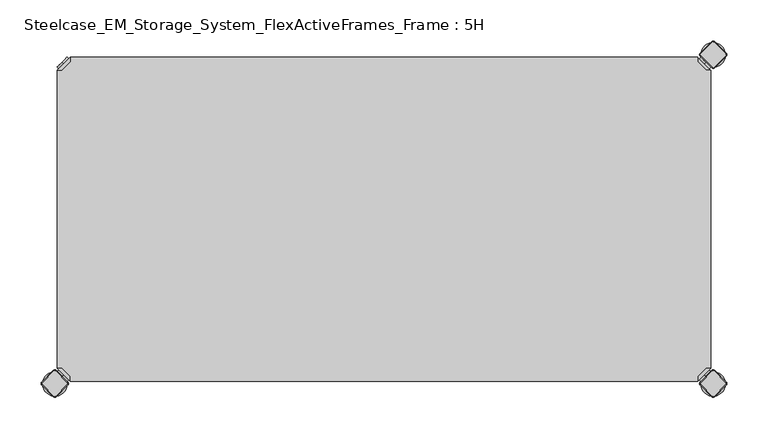
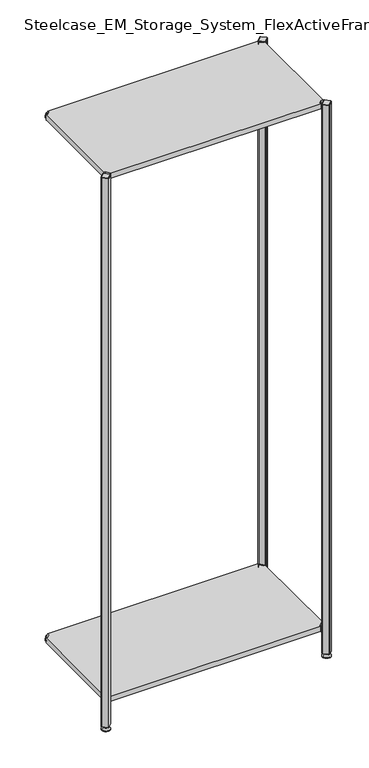
"""IFC4 building model written with IfcOpenShell, lengths in millimetres: furniture geometry, Steelcase_EM_Storage_System_FlexActiveFrames_Frame : 5H."""

from ifc_helpers import new_model, si_unit, point, frame, frame_2d, origin, place, context, project, spatial, polyline, circle_curve, trimmed, segment, composite_curve, outline, extrude, source, transform, mapped, element, save
from ifc_brep_helpers import plane_surface, cylinder_surface, revolved_surface, advanced_brep


def steelcase_em_storage_system_flexactiveframes_frame_5h_f5e73d69(model_context):
    return source(origin(), model_context, "Body", "SolidModel", [
        advanced_brep(
        [(10.9601551, -10.9601551, 2098.5), (10.9601551, -10.9601551, 2115.5), (10.9601551, -10.9601551, 2107.0), (8.8388348, -8.8388348, 2098.5), (8.8388348, -8.8388348, 2115.5), (8.8388348, -8.8388348, 2107.0)],
        [
            (0, 1, circle_curve(frame((10.9601551, -10.9601551, 2107.0), z_axis=(0.7071067811865464, -0.7071067811865487, 0.0), x_axis=(0.0, 0.0, 1.0)), 8.5)),
            (1, 2),
            (2, 0),
            (1, 0, circle_curve(frame((10.9601551, -10.9601551, 2107.0), z_axis=(0.7071067811865464, -0.7071067811865487, 0.0), x_axis=(0.0, 0.0, 1.0)), 8.5)),
            (3, 4, circle_curve(frame((8.8388348, -8.8388348, 2107.0), z_axis=(0.7071067811865464, -0.7071067811865487, 0.0), x_axis=(0.0, 0.0, 1.0)), 8.5)),
            (4, 1),
            (0, 3),
            (4, 3, circle_curve(frame((8.8388348, -8.8388348, 2107.0), z_axis=(0.7071067811865464, -0.7071067811865487, 0.0), x_axis=(0.0, 0.0, 1.0)), 8.5)),
            (5, 4),
            (3, 5),
        ],
        [
            plane_surface(frame((10.9601551, -10.9601551, 2107.0), z_axis=(0.707106781186546, -0.7071067811865491, 0.0), x_axis=(0.0, 0.0, 1.0))),
            cylinder_surface(frame((8.8388348, -8.8388348, 2107.0), z_axis=(-0.7071067811865464, 0.7071067811865487, 0.0), x_axis=(0.0, 0.0, 1.0)), 8.5),
            plane_surface(frame((8.8388348, -8.8388348, 2107.0), z_axis=(-0.707106781186546, 0.7071067811865491, 0.0), x_axis=(0.0, 0.0, 1.0))),
        ],
        [
            (0, [[1, 2, 3]]),
            (0, [[4, -3, -2]]),
            (1, [[5, 6, -1, 7]]),
            (1, [[8, -7, -4, -6]]),
            (2, [[9, -5, 10]]),
            (2, [[-10, -8, -9]]),
        ],
    ),
        advanced_brep(
        [(18.9203102, -3.0, 2117.0), (3.0, -18.9203102, 2117.0), (8.6568542, -18.9203102, 2117.0), (18.9203102, -8.6568542, 2117.0), (18.9203102, -3.0, 2098.0), (18.9203102, -3.0, 2097.0), (3.0, -18.9203102, 2097.0), (3.0, -18.9203102, 2098.0), (8.6568542, -18.9203102, 2098.0), (18.9203102, -8.6568542, 2098.0), (31.8093975, -47.7297077, 2098.0), (47.7297077, -31.8093975, 2098.0), (47.7297077, -31.8093975, 2097.0), (31.8093975, -47.7297077, 2097.0)],
        [
            (0, 1),
            (1, 2),
            (2, 3),
            (3, 0),
            (0, 4),
            (4, 5),
            (5, 6),
            (6, 7),
            (7, 1),
            (2, 8),
            (8, 9),
            (9, 3),
            (9, 4),
            (7, 8),
            (7, 10),
            (10, 11, circle_curve(frame((39.7695526, -39.7695526, 2098.0), z_axis=(0.0, 0.0, 1.0), x_axis=(1.0, 0.0, 0.0)), 11.2573593)),
            (11, 4),
            (5, 12),
            (12, 13, circle_curve(frame((39.7695526, -39.7695526, 2097.0), z_axis=(0.0, 0.0, -1.0), x_axis=(1.0, 0.0, 0.0)), 11.2573593)),
            (13, 6),
            (13, 10),
            (12, 11),
        ],
        [
            plane_surface(frame((-38.8756299, -60.7959401, 2117.0), z_axis=(0.0, 0.0, 1.0000000000000002), x_axis=(-0.7071067811865557, -0.7071067811865395, 0.0))),
            plane_surface(frame((18.9203102, -3.0, 2117.0), z_axis=(-0.7071067811865395, 0.7071067811865557, 0.0), x_axis=(0.0, 0.0, -1.0))),
            plane_surface(frame((8.6568542, -18.9203102, 2117.0), z_axis=(0.7071067811865481, -0.7071067811865469, 0.0), x_axis=(0.0, 0.0, -1.0))),
            plane_surface(frame((18.9203102, -8.6568542, 2117.0), z_axis=(1.0, 0.0, 0.0), x_axis=(0.0, 0.0, -1.0))),
            plane_surface(frame((3.0, -18.9203102, 2117.0), z_axis=(0.0, -1.0, 0.0), x_axis=(0.0, 0.0, -1.0))),
            plane_surface(frame((3.0, -18.9203102, 2098.0), z_axis=(0.0, 0.0, 1.0), x_axis=(-0.7071067811865485, -0.7071067811865466, 0.0))),
            plane_surface(frame((3.0, -18.9203102, 2097.0), z_axis=(0.0, 0.0, -1.0), x_axis=(0.7071067811865485, 0.7071067811865466, 0.0))),
            plane_surface(frame((3.0, -18.9203102, 2098.0), z_axis=(-0.7071067811865491, -0.707106781186546, 0.0), x_axis=(0.0, 0.0, -1.0))),
            cylinder_surface(frame((39.7695526, -39.7695526, 2097.0), z_axis=(0.0, 0.0, 1.0), x_axis=(1.0, 0.0, 0.0)), 11.2573593),
            plane_surface(frame((47.7297077, -31.8093975, 2098.0), z_axis=(0.707106781186548, 0.7071067811865471, 0.0), x_axis=(0.0, 0.0, -1.0))),
        ],
        [
            (0, [[1, 2, 3, 4]]),
            (1, [[-1, 5, 6, 7, 8, 9]]),
            (2, [[-3, 10, 11, 12]]),
            (3, [[-4, -12, 13, -5]]),
            (4, [[-2, -9, 14, -10]]),
            (5, [[15, 16, 17, -13, -11, -14]]),
            (6, [[18, 19, 20, -7]]),
            (7, [[-15, -8, -20, 21]]),
            (8, [[-16, -21, -19, 22]]),
            (9, [[-17, -22, -18, -6]]),
        ],
    ),
        extrude(outline(polyline([(781.0796898, -3.0), (781.0796898, -8.6568542), (791.3431458, -18.9203102), (797.0, -18.9203102), (797.0, -381.0796898), (791.3431458, -381.0796898), (781.0796898, -391.3431458), (781.0796898, -397.0), (18.9203102, -397.0), (18.9203102, -391.3431458), (8.6568542, -381.0796898), (3.0, -381.0796898), (3.0, -18.9203102), (8.6568542, -18.9203102), (18.9203102, -8.6568542), (18.9203102, -3.0), (781.0796898, -3.0)])), frame((0.0, 0.0, 2098.0), z_axis=(0.0, 0.0, 1.0), x_axis=(1.0, 0.0, 0.0)), (0.0, 0.0, 1.0), 19.0),
        advanced_brep(
        [(789.0398449, -10.9601551, 98.5), (789.0398449, -10.9601551, 107.0), (789.0398449, -10.9601551, 115.5), (791.1611652, -8.8388348, 98.5), (791.1611652, -8.8388348, 115.5), (791.1611652, -8.8388348, 107.0)],
        [
            (0, 1),
            (1, 2),
            (2, 0, circle_curve(frame((789.0398449, -10.9601551, 107.0), z_axis=(-0.7071067811865556, -0.7071067811865395, 0.0), x_axis=(0.0, 0.0, 1.0)), 8.5)),
            (0, 2, circle_curve(frame((789.0398449, -10.9601551, 107.0), z_axis=(-0.7071067811865556, -0.7071067811865395, 0.0), x_axis=(0.0, 0.0, 1.0)), 8.5)),
            (3, 0),
            (2, 4),
            (4, 3, circle_curve(frame((791.1611652, -8.8388348, 107.0), z_axis=(-0.7071067811865556, -0.7071067811865395, 0.0), x_axis=(0.0, 0.0, 1.0)), 8.5)),
            (3, 4, circle_curve(frame((791.1611652, -8.8388348, 107.0), z_axis=(-0.7071067811865556, -0.7071067811865395, 0.0), x_axis=(0.0, 0.0, 1.0)), 8.5)),
            (5, 3),
            (4, 5),
        ],
        [
            plane_surface(frame((789.0398449, -10.9601551, 107.0), z_axis=(-0.7071067811865552, -0.7071067811865399, 0.0), x_axis=(0.0, 0.0, 1.0))),
            cylinder_surface(frame((791.1611652, -8.8388348, 107.0), z_axis=(0.7071067811865556, 0.7071067811865395, 0.0), x_axis=(0.0, 0.0, 1.0)), 8.5),
            plane_surface(frame((791.1611652, -8.8388348, 107.0), z_axis=(0.7071067811865552, 0.7071067811865399, 0.0), x_axis=(0.0, 0.0, 1.0))),
        ],
        [
            (0, [[1, 2, 3]]),
            (0, [[-2, -1, 4]]),
            (1, [[5, -3, 6, 7]]),
            (1, [[-6, -4, -5, 8]]),
            (2, [[9, -7, 10]]),
            (2, [[-10, -8, -9]]),
        ],
    ),
        advanced_brep(
        [(781.0796898, -3.0, 117.0), (781.0796898, -8.6568542, 117.0), (791.3431458, -18.9203102, 117.0), (797.0, -18.9203102, 117.0), (797.0, -18.9203102, 98.0), (797.0, -18.9203102, 97.0), (781.0796898, -3.0, 97.0), (781.0796898, -3.0, 98.0), (781.0796898, -8.6568542, 98.0), (791.3431458, -18.9203102, 98.0), (752.2702923, -31.8093975, 98.0), (768.1906025, -47.7297077, 98.0), (768.1906025, -47.7297077, 97.0), (752.2702923, -31.8093975, 97.0)],
        [
            (0, 1),
            (1, 2),
            (2, 3),
            (3, 0),
            (3, 4),
            (4, 5),
            (5, 6),
            (6, 7),
            (7, 0),
            (1, 8),
            (8, 9),
            (9, 2),
            (7, 8),
            (9, 4),
            (7, 10),
            (10, 11, circle_curve(frame((760.2304474, -39.7695526, 98.0), z_axis=(0.0, 0.0, 1.0), x_axis=(-1.0, 0.0, 0.0)), 11.2573593)),
            (11, 4),
            (5, 12),
            (12, 13, circle_curve(frame((760.2304474, -39.7695526, 97.0), z_axis=(0.0, 0.0, -1.0), x_axis=(-1.0, 0.0, 0.0)), 11.2573593)),
            (13, 6),
            (11, 12),
            (10, 13),
        ],
        [
            plane_surface(frame((838.8756299, -60.7959401, 117.0), z_axis=(0.0, 0.0, 1.0000000000000002), x_axis=(0.7071067811865465, -0.7071067811865487, 0.0))),
            plane_surface(frame((781.0796898, -3.0, 117.0), z_axis=(0.7071067811865487, 0.7071067811865465, 0.0), x_axis=(0.0, 0.0, -1.0))),
            plane_surface(frame((791.3431458, -18.9203102, 117.0), z_axis=(-0.7071067811865573, -0.7071067811865377, 0.0), x_axis=(0.0, 0.0, -1.0))),
            plane_surface(frame((781.0796898, -8.6568542, 117.0), z_axis=(-1.0, 0.0, 0.0), x_axis=(0.0, 0.0, -1.0))),
            plane_surface(frame((797.0, -18.9203102, 117.0), z_axis=(0.0, -1.0, 0.0), x_axis=(0.0, 0.0, -1.0))),
            plane_surface(frame((797.0, -18.9203102, 98.0), z_axis=(0.0, 0.0, 1.0), x_axis=(0.7071067811865392, -0.7071067811865558, 0.0))),
            plane_surface(frame((797.0, -18.9203102, 97.0), z_axis=(0.0, 0.0, -1.0), x_axis=(-0.7071067811865392, 0.7071067811865558, 0.0))),
            plane_surface(frame((797.0, -18.9203102, 98.0), z_axis=(0.7071067811865399, -0.7071067811865552, 0.0), x_axis=(0.0, 0.0, -1.0))),
            cylinder_surface(frame((760.2304474, -39.7695526, 97.0), z_axis=(0.0, 0.0, 1.0), x_axis=(-1.0, 0.0, 0.0)), 11.2573593),
            plane_surface(frame((752.2702923, -31.8093975, 98.0), z_axis=(-0.7071067811865388, 0.7071067811865563, 0.0), x_axis=(0.0, 0.0, -1.0))),
        ],
        [
            (0, [[1, 2, 3, 4]]),
            (1, [[5, 6, 7, 8, 9, -4]]),
            (2, [[10, 11, 12, -2]]),
            (3, [[-9, 13, -10, -1]]),
            (4, [[-12, 14, -5, -3]]),
            (5, [[-14, -11, -13, 15, 16, 17]]),
            (6, [[-7, 18, 19, 20]]),
            (7, [[21, -18, -6, -17]]),
            (8, [[22, -19, -21, -16]]),
            (9, [[-8, -20, -22, -15]]),
        ],
    ),
        advanced_brep(
        [(789.0398449, -389.0398449, 98.5), (789.0398449, -389.0398449, 115.5), (789.0398449, -389.0398449, 107.0), (791.1611652, -391.1611652, 98.5), (791.1611652, -391.1611652, 115.5), (791.1611652, -391.1611652, 107.0)],
        [
            (0, 1, circle_curve(frame((789.0398449, -389.0398449, 107.0), z_axis=(-0.7071067811865509, 0.7071067811865441, 0.0), x_axis=(0.0, 0.0, 1.0)), 8.5)),
            (1, 2),
            (2, 0),
            (1, 0, circle_curve(frame((789.0398449, -389.0398449, 107.0), z_axis=(-0.7071067811865509, 0.7071067811865441, 0.0), x_axis=(0.0, 0.0, 1.0)), 8.5)),
            (3, 4, circle_curve(frame((791.1611652, -391.1611652, 107.0), z_axis=(-0.7071067811865509, 0.7071067811865441, 0.0), x_axis=(0.0, 0.0, 1.0)), 8.5)),
            (4, 1),
            (0, 3),
            (4, 3, circle_curve(frame((791.1611652, -391.1611652, 107.0), z_axis=(-0.7071067811865509, 0.7071067811865441, 0.0), x_axis=(0.0, 0.0, 1.0)), 8.5)),
            (5, 4),
            (3, 5),
        ],
        [
            plane_surface(frame((789.0398449, -389.0398449, 107.0), z_axis=(-0.7071067811865506, 0.7071067811865446, 0.0), x_axis=(0.0, 0.0, 1.0))),
            cylinder_surface(frame((791.1611652, -391.1611652, 107.0), z_axis=(0.7071067811865509, -0.7071067811865441, 0.0), x_axis=(0.0, 0.0, 1.0)), 8.5),
            plane_surface(frame((791.1611652, -391.1611652, 107.0), z_axis=(0.7071067811865506, -0.7071067811865446, 0.0), x_axis=(0.0, 0.0, 1.0))),
        ],
        [
            (0, [[1, 2, 3]]),
            (0, [[4, -3, -2]]),
            (1, [[5, 6, -1, 7]]),
            (1, [[8, -7, -4, -6]]),
            (2, [[9, -5, 10]]),
            (2, [[-10, -8, -9]]),
        ],
    ),
        advanced_brep(
        [(781.0796898, -397.0, 117.0), (797.0, -381.0796898, 117.0), (791.3431458, -381.0796898, 117.0), (781.0796898, -391.3431458, 117.0), (781.0796898, -397.0, 98.0), (781.0796898, -397.0, 97.0), (797.0, -381.0796898, 97.0), (797.0, -381.0796898, 98.0), (791.3431458, -381.0796898, 98.0), (781.0796898, -391.3431458, 98.0), (768.1906025, -352.2702923, 98.0), (752.2702923, -368.1906025, 98.0), (752.2702923, -368.1906025, 97.0), (768.1906025, -352.2702923, 97.0)],
        [
            (0, 1),
            (1, 2),
            (2, 3),
            (3, 0),
            (0, 4),
            (4, 5),
            (5, 6),
            (6, 7),
            (7, 1),
            (2, 8),
            (8, 9),
            (9, 3),
            (9, 4),
            (7, 8),
            (7, 10),
            (10, 11, circle_curve(frame((760.2304474, -360.2304474, 98.0), z_axis=(0.0, 0.0, 1.0), x_axis=(-1.0, 0.0, 0.0)), 11.2573593)),
            (11, 4),
            (5, 12),
            (12, 13, circle_curve(frame((760.2304474, -360.2304474, 97.0), z_axis=(0.0, 0.0, -1.0), x_axis=(-1.0, 0.0, 0.0)), 11.2573593)),
            (13, 6),
            (13, 10),
            (12, 11),
        ],
        [
            plane_surface(frame((838.8756299, -339.2040599, 117.0), z_axis=(0.0, 0.0, 1.0000000000000002), x_axis=(0.7071067811865511, 0.707106781186544, 0.0))),
            plane_surface(frame((781.0796898, -397.0, 117.0), z_axis=(0.707106781186544, -0.7071067811865511, 0.0), x_axis=(0.0, 0.0, -1.0))),
            plane_surface(frame((791.3431458, -381.0796898, 117.0), z_axis=(-0.7071067811865527, 0.7071067811865424, 0.0), x_axis=(0.0, 0.0, -1.0))),
            plane_surface(frame((781.0796898, -391.3431458, 117.0), z_axis=(-1.0, 0.0, 0.0), x_axis=(0.0, 0.0, -1.0))),
            plane_surface(frame((797.0, -381.0796898, 117.0), z_axis=(0.0, 1.0, 0.0), x_axis=(0.0, 0.0, -1.0))),
            plane_surface(frame((797.0, -381.0796898, 98.0), z_axis=(0.0, 0.0, 1.0), x_axis=(0.7071067811865439, 0.7071067811865511, 0.0))),
            plane_surface(frame((797.0, -381.0796898, 97.0), z_axis=(0.0, 0.0, -1.0), x_axis=(-0.7071067811865439, -0.7071067811865511, 0.0))),
            plane_surface(frame((797.0, -381.0796898, 98.0), z_axis=(0.7071067811865446, 0.7071067811865506, 0.0), x_axis=(0.0, 0.0, -1.0))),
            cylinder_surface(frame((760.2304474, -360.2304474, 97.0), z_axis=(0.0, 0.0, 1.0), x_axis=(-1.0, 0.0, 0.0)), 11.2573593),
            plane_surface(frame((752.2702923, -368.1906025, 98.0), z_axis=(-0.7071067811865435, -0.7071067811865517, 0.0), x_axis=(0.0, 0.0, -1.0))),
        ],
        [
            (0, [[1, 2, 3, 4]]),
            (1, [[-1, 5, 6, 7, 8, 9]]),
            (2, [[-3, 10, 11, 12]]),
            (3, [[-4, -12, 13, -5]]),
            (4, [[-2, -9, 14, -10]]),
            (5, [[15, 16, 17, -13, -11, -14]]),
            (6, [[18, 19, 20, -7]]),
            (7, [[-15, -8, -20, 21]]),
            (8, [[-16, -21, -19, 22]]),
            (9, [[-17, -22, -18, -6]]),
        ],
    ),
        advanced_brep(
        [(10.9601551, -389.0398449, 98.5), (10.9601551, -389.0398449, 107.0), (10.9601551, -389.0398449, 115.5), (8.8388348, -391.1611652, 98.5), (8.8388348, -391.1611652, 115.5), (8.8388348, -391.1611652, 107.0)],
        [
            (0, 1),
            (1, 2),
            (2, 0, circle_curve(frame((10.9601551, -389.0398449, 107.0), z_axis=(0.7071067811865509, 0.7071067811865441, 0.0), x_axis=(0.0, 0.0, 1.0)), 8.5)),
            (0, 2, circle_curve(frame((10.9601551, -389.0398449, 107.0), z_axis=(0.7071067811865509, 0.7071067811865441, 0.0), x_axis=(0.0, 0.0, 1.0)), 8.5)),
            (3, 0),
            (2, 4),
            (4, 3, circle_curve(frame((8.8388348, -391.1611652, 107.0), z_axis=(0.7071067811865509, 0.7071067811865441, 0.0), x_axis=(0.0, 0.0, 1.0)), 8.5)),
            (3, 4, circle_curve(frame((8.8388348, -391.1611652, 107.0), z_axis=(0.7071067811865509, 0.7071067811865441, 0.0), x_axis=(0.0, 0.0, 1.0)), 8.5)),
            (5, 3),
            (4, 5),
        ],
        [
            plane_surface(frame((10.9601551, -389.0398449, 107.0), z_axis=(0.7071067811865506, 0.7071067811865446, 0.0), x_axis=(0.0, 0.0, 1.0))),
            cylinder_surface(frame((8.8388348, -391.1611652, 107.0), z_axis=(-0.7071067811865509, -0.7071067811865441, 0.0), x_axis=(0.0, 0.0, 1.0)), 8.5),
            plane_surface(frame((8.8388348, -391.1611652, 107.0), z_axis=(-0.7071067811865506, -0.7071067811865446, 0.0), x_axis=(0.0, 0.0, 1.0))),
        ],
        [
            (0, [[1, 2, 3]]),
            (0, [[-2, -1, 4]]),
            (1, [[5, -3, 6, 7]]),
            (1, [[-6, -4, -5, 8]]),
            (2, [[9, -7, 10]]),
            (2, [[-10, -8, -9]]),
        ],
    ),
        advanced_brep(
        [(18.9203102, -397.0, 117.0), (18.9203102, -391.3431458, 117.0), (8.6568542, -381.0796898, 117.0), (3.0, -381.0796898, 117.0), (3.0, -381.0796898, 98.0), (3.0, -381.0796898, 97.0), (18.9203102, -397.0, 97.0), (18.9203102, -397.0, 98.0), (18.9203102, -391.3431458, 98.0), (8.6568542, -381.0796898, 98.0), (47.7297077, -368.1906025, 98.0), (31.8093975, -352.2702923, 98.0), (31.8093975, -352.2702923, 97.0), (47.7297077, -368.1906025, 97.0)],
        [
            (0, 1),
            (1, 2),
            (2, 3),
            (3, 0),
            (3, 4),
            (4, 5),
            (5, 6),
            (6, 7),
            (7, 0),
            (1, 8),
            (8, 9),
            (9, 2),
            (7, 8),
            (9, 4),
            (7, 10),
            (10, 11, circle_curve(frame((39.7695526, -360.2304474, 98.0), z_axis=(0.0, 0.0, 1.0), x_axis=(1.0, 0.0, 0.0)), 11.2573593)),
            (11, 4),
            (5, 12),
            (12, 13, circle_curve(frame((39.7695526, -360.2304474, 97.0), z_axis=(0.0, 0.0, -1.0), x_axis=(1.0, 0.0, 0.0)), 11.2573593)),
            (13, 6),
            (11, 12),
            (10, 13),
        ],
        [
            plane_surface(frame((-38.8756299, -339.2040599, 117.0), z_axis=(0.0, 0.0, 1.0000000000000002), x_axis=(-0.7071067811865511, 0.707106781186544, 0.0))),
            plane_surface(frame((18.9203102, -397.0, 117.0), z_axis=(-0.707106781186544, -0.7071067811865511, 0.0), x_axis=(0.0, 0.0, -1.0))),
            plane_surface(frame((8.6568542, -381.0796898, 117.0), z_axis=(0.7071067811865527, 0.7071067811865424, 0.0), x_axis=(0.0, 0.0, -1.0))),
            plane_surface(frame((18.9203102, -391.3431458, 117.0), z_axis=(1.0, 0.0, 0.0), x_axis=(0.0, 0.0, -1.0))),
            plane_surface(frame((3.0, -381.0796898, 117.0), z_axis=(0.0, 1.0, 0.0), x_axis=(0.0, 0.0, -1.0))),
            plane_surface(frame((3.0, -381.0796898, 98.0), z_axis=(0.0, 0.0, 1.0), x_axis=(-0.7071067811865439, 0.7071067811865511, 0.0))),
            plane_surface(frame((3.0, -381.0796898, 97.0), z_axis=(0.0, 0.0, -1.0), x_axis=(0.7071067811865439, -0.7071067811865511, 0.0))),
            plane_surface(frame((3.0, -381.0796898, 98.0), z_axis=(-0.7071067811865446, 0.7071067811865506, 0.0), x_axis=(0.0, 0.0, -1.0))),
            cylinder_surface(frame((39.7695526, -360.2304474, 97.0), z_axis=(0.0, 0.0, 1.0), x_axis=(1.0, 0.0, 0.0)), 11.2573593),
            plane_surface(frame((47.7297077, -368.1906025, 98.0), z_axis=(0.7071067811865435, -0.7071067811865517, 0.0), x_axis=(0.0, 0.0, -1.0))),
        ],
        [
            (0, [[1, 2, 3, 4]]),
            (1, [[5, 6, 7, 8, 9, -4]]),
            (2, [[10, 11, 12, -2]]),
            (3, [[-9, 13, -10, -1]]),
            (4, [[-12, 14, -5, -3]]),
            (5, [[-14, -11, -13, 15, 16, 17]]),
            (6, [[-7, 18, 19, 20]]),
            (7, [[21, -18, -6, -17]]),
            (8, [[22, -19, -21, -16]]),
            (9, [[-8, -20, -22, -15]]),
        ],
    ),
        advanced_brep(
        [(10.9601551, -10.9601551, 98.5), (10.9601551, -10.9601551, 115.5), (10.9601551, -10.9601551, 107.0), (8.8388348, -8.8388348, 98.5), (8.8388348, -8.8388348, 115.5), (8.8388348, -8.8388348, 107.0)],
        [
            (0, 1, circle_curve(frame((10.9601551, -10.9601551, 107.0), z_axis=(0.7071067811865464, -0.7071067811865487, 0.0), x_axis=(0.0, 0.0, 1.0)), 8.5)),
            (1, 2),
            (2, 0),
            (1, 0, circle_curve(frame((10.9601551, -10.9601551, 107.0), z_axis=(0.7071067811865464, -0.7071067811865487, 0.0), x_axis=(0.0, 0.0, 1.0)), 8.5)),
            (3, 4, circle_curve(frame((8.8388348, -8.8388348, 107.0), z_axis=(0.7071067811865464, -0.7071067811865487, 0.0), x_axis=(0.0, 0.0, 1.0)), 8.5)),
            (4, 1),
            (0, 3),
            (4, 3, circle_curve(frame((8.8388348, -8.8388348, 107.0), z_axis=(0.7071067811865464, -0.7071067811865487, 0.0), x_axis=(0.0, 0.0, 1.0)), 8.5)),
            (5, 4),
            (3, 5),
        ],
        [
            plane_surface(frame((10.9601551, -10.9601551, 107.0), z_axis=(0.707106781186546, -0.7071067811865491, 0.0), x_axis=(0.0, 0.0, 1.0))),
            cylinder_surface(frame((8.8388348, -8.8388348, 107.0), z_axis=(-0.7071067811865464, 0.7071067811865487, 0.0), x_axis=(0.0, 0.0, 1.0)), 8.5),
            plane_surface(frame((8.8388348, -8.8388348, 107.0), z_axis=(-0.707106781186546, 0.7071067811865491, 0.0), x_axis=(0.0, 0.0, 1.0))),
        ],
        [
            (0, [[1, 2, 3]]),
            (0, [[4, -3, -2]]),
            (1, [[5, 6, -1, 7]]),
            (1, [[8, -7, -4, -6]]),
            (2, [[9, -5, 10]]),
            (2, [[-10, -8, -9]]),
        ],
    ),
        advanced_brep(
        [(18.9203102, -3.0, 117.0), (3.0, -18.9203102, 117.0), (8.6568542, -18.9203102, 117.0), (18.9203102, -8.6568542, 117.0), (18.9203102, -3.0, 98.0), (18.9203102, -3.0, 97.0), (3.0, -18.9203102, 97.0), (3.0, -18.9203102, 98.0), (8.6568542, -18.9203102, 98.0), (18.9203102, -8.6568542, 98.0), (31.8093975, -47.7297077, 98.0), (47.7297077, -31.8093975, 98.0), (47.7297077, -31.8093975, 97.0), (31.8093975, -47.7297077, 97.0)],
        [
            (0, 1),
            (1, 2),
            (2, 3),
            (3, 0),
            (0, 4),
            (4, 5),
            (5, 6),
            (6, 7),
            (7, 1),
            (2, 8),
            (8, 9),
            (9, 3),
            (9, 4),
            (7, 8),
            (7, 10),
            (10, 11, circle_curve(frame((39.7695526, -39.7695526, 98.0), z_axis=(0.0, 0.0, 1.0), x_axis=(1.0, 0.0, 0.0)), 11.2573593)),
            (11, 4),
            (5, 12),
            (12, 13, circle_curve(frame((39.7695526, -39.7695526, 97.0), z_axis=(0.0, 0.0, -1.0), x_axis=(1.0, 0.0, 0.0)), 11.2573593)),
            (13, 6),
            (13, 10),
            (12, 11),
        ],
        [
            plane_surface(frame((-38.8756299, -60.7959401, 117.0), z_axis=(0.0, 0.0, 1.0000000000000002), x_axis=(-0.7071067811865557, -0.7071067811865395, 0.0))),
            plane_surface(frame((18.9203102, -3.0, 117.0), z_axis=(-0.7071067811865395, 0.7071067811865557, 0.0), x_axis=(0.0, 0.0, -1.0))),
            plane_surface(frame((8.6568542, -18.9203102, 117.0), z_axis=(0.7071067811865481, -0.7071067811865469, 0.0), x_axis=(0.0, 0.0, -1.0))),
            plane_surface(frame((18.9203102, -8.6568542, 117.0), z_axis=(1.0, 0.0, 0.0), x_axis=(0.0, 0.0, -1.0))),
            plane_surface(frame((3.0, -18.9203102, 117.0), z_axis=(0.0, -1.0, 0.0), x_axis=(0.0, 0.0, -1.0))),
            plane_surface(frame((3.0, -18.9203102, 98.0), z_axis=(0.0, 0.0, 1.0), x_axis=(-0.7071067811865485, -0.7071067811865466, 0.0))),
            plane_surface(frame((3.0, -18.9203102, 97.0), z_axis=(0.0, 0.0, -1.0), x_axis=(0.7071067811865485, 0.7071067811865466, 0.0))),
            plane_surface(frame((3.0, -18.9203102, 98.0), z_axis=(-0.7071067811865491, -0.707106781186546, 0.0), x_axis=(0.0, 0.0, -1.0))),
            cylinder_surface(frame((39.7695526, -39.7695526, 97.0), z_axis=(0.0, 0.0, 1.0), x_axis=(1.0, 0.0, 0.0)), 11.2573593),
            plane_surface(frame((47.7297077, -31.8093975, 98.0), z_axis=(0.707106781186548, 0.7071067811865471, 0.0), x_axis=(0.0, 0.0, -1.0))),
        ],
        [
            (0, [[1, 2, 3, 4]]),
            (1, [[-1, 5, 6, 7, 8, 9]]),
            (2, [[-3, 10, 11, 12]]),
            (3, [[-4, -12, 13, -5]]),
            (4, [[-2, -9, 14, -10]]),
            (5, [[15, 16, 17, -13, -11, -14]]),
            (6, [[18, 19, 20, -7]]),
            (7, [[-15, -8, -20, 21]]),
            (8, [[-16, -21, -19, 22]]),
            (9, [[-17, -22, -18, -6]]),
        ],
    ),
        extrude(outline(polyline([(781.0796898, -3.0), (781.0796898, -8.6568542), (791.3431458, -18.9203102), (797.0, -18.9203102), (797.0, -381.0796898), (791.3431458, -381.0796898), (781.0796898, -391.3431458), (781.0796898, -397.0), (18.9203102, -397.0), (18.9203102, -391.3431458), (8.6568542, -381.0796898), (3.0, -381.0796898), (3.0, -18.9203102), (8.6568542, -18.9203102), (18.9203102, -8.6568542), (18.9203102, -3.0), (781.0796898, -3.0)])), frame((0.0, 0.0, 98.0), z_axis=(0.0, 0.0, 1.0), x_axis=(1.0, 0.0, 0.0)), (0.0, 0.0, 1.0), 19.0),
        advanced_brep(
        [(785.0, -400.0, 0.0), (815.0, -400.0, 0.0), (800.0, -400.0, 0.0), (785.0, -400.0, 2.0), (815.0, -400.0, 2.0), (792.0, -400.0, 9.0), (808.0, -400.0, 9.0), (796.0, -400.0, 9.0), (804.0, -400.0, 9.0), (796.0, -400.0, 15.0), (804.0, -400.0, 15.0), (800.0, -400.0, 15.0)],
        [
            (0, 1, circle_curve(frame((800.0, -400.0, 0.0), z_axis=(0.0, 0.0, -1.0), x_axis=(1.0, 0.0, 0.0)), 15.0)),
            (1, 2),
            (2, 0),
            (1, 0, circle_curve(frame((800.0, -400.0, 0.0), z_axis=(0.0, 0.0, -1.0), x_axis=(1.0, 0.0, 0.0)), 15.0)),
            (3, 4, circle_curve(frame((800.0, -400.0, 2.0), z_axis=(0.0, 0.0, -1.0), x_axis=(1.0, 0.0, 0.0)), 15.0)),
            (4, 1),
            (0, 3),
            (4, 3, circle_curve(frame((800.0, -400.0, 2.0), z_axis=(0.0, 0.0, -1.0), x_axis=(1.0, 0.0, 0.0)), 15.0)),
            (5, 6, circle_curve(frame((800.0, -400.0, 9.0), z_axis=(0.0, 0.0, -1.0), x_axis=(1.0, 0.0, 0.0)), 8.0)),
            (6, 4),
            (3, 5),
            (6, 5, circle_curve(frame((800.0, -400.0, 9.0), z_axis=(0.0, 0.0, -1.0), x_axis=(1.0, 0.0, 0.0)), 8.0)),
            (7, 8, circle_curve(frame((800.0, -400.0, 9.0), z_axis=(0.0, 0.0, -1.0), x_axis=(1.0, 0.0, 0.0)), 4.0)),
            (8, 6),
            (5, 7),
            (8, 7, circle_curve(frame((800.0, -400.0, 9.0), z_axis=(0.0, 0.0, -1.0), x_axis=(1.0, 0.0, 0.0)), 4.0)),
            (9, 10, circle_curve(frame((800.0, -400.0, 15.0), z_axis=(0.0, 0.0, -1.0), x_axis=(1.0, 0.0, 0.0)), 4.0)),
            (10, 8),
            (7, 9),
            (10, 9, circle_curve(frame((800.0, -400.0, 15.0), z_axis=(0.0, 0.0, -1.0), x_axis=(1.0, 0.0, 0.0)), 4.0)),
            (11, 10),
            (9, 11),
        ],
        [
            plane_surface(frame((800.0, -400.0, 0.0), z_axis=(0.0, 0.0, -1.0), x_axis=(1.0, 0.0, 0.0))),
            cylinder_surface(frame((800.0, -400.0, 18.6083303), z_axis=(0.0, 0.0, 1.0), x_axis=(1.0, 0.0, 0.0)), 15.0),
            revolved_surface(polyline([(815.0, -400.0, 2.0), (808.0, -400.0, 9.0)]), (800.0, -400.0, 18.6083303), (0.0, 0.0, 1.0)),
            plane_surface(frame((800.0, -400.0, 9.0), z_axis=(0.0, 0.0, 1.0), x_axis=(1.0, 0.0, 0.0))),
            cylinder_surface(frame((800.0, -400.0, 18.6083303), z_axis=(0.0, 0.0, 1.0), x_axis=(1.0, 0.0, 0.0)), 4.0),
            plane_surface(frame((800.0, -400.0, 15.0), z_axis=(0.0, 0.0, 1.0), x_axis=(1.0, 0.0, 0.0))),
        ],
        [
            (0, [[1, 2, 3]]),
            (0, [[4, -3, -2]]),
            (1, [[5, 6, -1, 7]]),
            (1, [[8, -7, -4, -6]]),
            (2, [[9, 10, -5, 11]]),
            (2, [[12, -11, -8, -10]]),
            (3, [[13, 14, -9, 15]]),
            (3, [[16, -15, -12, -14]]),
            (4, [[17, 18, -13, 19]]),
            (4, [[20, -19, -16, -18]]),
            (5, [[21, -17, 22]]),
            (5, [[-22, -20, -21]]),
        ],
    ),
        advanced_brep(
        [(798.7979185, -384.6557828, 2117.0), (784.6557828, -398.7979185, 2117.0), (784.6557828, -401.2020815, 2117.0), (798.7979185, -415.3442172, 2117.0), (801.2020815, -415.3442172, 2117.0), (815.3442172, -401.2020815, 2117.0), (815.3442172, -398.7979185, 2117.0), (801.2020815, -384.6557828, 2117.0), (798.232233, -384.0900974, 2115.0), (801.767767, -384.0900974, 2115.0), (815.9099026, -398.232233, 2115.0), (815.9099026, -401.767767, 2115.0), (801.767767, -415.9099026, 2115.0), (798.232233, -415.9099026, 2115.0), (784.0900974, -401.767767, 2115.0), (784.0900974, -398.232233, 2115.0)],
        [
            (0, 1),
            (1, 2, circle_curve(frame((785.8578644, -400.0, 2117.0), z_axis=(0.0, 0.0, 1.0), x_axis=(-0.7071067811865537, 0.7071067811865414, 0.0)), 1.7)),
            (2, 3),
            (3, 4, circle_curve(frame((800.0, -414.1421356, 2117.0), z_axis=(0.0, 0.0, 1.0), x_axis=(-0.7071067811865491, -0.707106781186546, 0.0)), 1.7)),
            (4, 5),
            (5, 6, circle_curve(frame((814.1421356, -400.0, 2117.0), z_axis=(0.0, 0.0, 1.0), x_axis=(0.707106781186539, -0.7071067811865559, 0.0)), 1.7)),
            (6, 7),
            (7, 0, circle_curve(frame((800.0, -385.8578644, 2117.0), z_axis=(0.0, 0.0, 1.0), x_axis=(0.7071067811865458, 0.7071067811865492, 0.0)), 1.7)),
            (8, 9, circle_curve(frame((800.0, -385.8578644, 2115.0), z_axis=(0.0, 0.0, -1.0), x_axis=(0.7071067811865458, 0.7071067811865492, 0.0)), 2.5)),
            (9, 10),
            (10, 11, circle_curve(frame((814.1421356, -400.0, 2115.0), z_axis=(0.0, 0.0, -1.0), x_axis=(0.707106781186539, -0.7071067811865559, 0.0)), 2.5)),
            (11, 12),
            (12, 13, circle_curve(frame((800.0, -414.1421356, 2115.0), z_axis=(0.0, 0.0, -1.0), x_axis=(-0.7071067811865491, -0.707106781186546, 0.0)), 2.5)),
            (13, 14),
            (14, 15, circle_curve(frame((785.8578644, -400.0, 2115.0), z_axis=(0.0, 0.0, -1.0), x_axis=(-0.7071067811865537, 0.7071067811865414, 0.0)), 2.5)),
            (15, 8),
            (15, 1),
            (0, 8),
            (14, 2),
            (13, 3),
            (12, 4),
            (11, 5),
            (10, 6),
            (9, 7),
        ],
        [
            plane_surface(frame((800.0, -400.0, 2117.0), z_axis=(0.0, 0.0, 1.0), x_axis=(-0.7071067811865486, 0.7071067811865466, 0.0))),
            plane_surface(frame((800.0, -400.0, 2115.0), z_axis=(0.0, 0.0, -1.0), x_axis=(-0.7071067811865486, 0.7071067811865466, 0.0))),
            plane_surface(frame((791.1611652, -391.1611652, 2115.0), z_axis=(-0.6565321642986406, 0.656532164298628, 0.3713906763540281), x_axis=(-0.7071067811865408, -0.7071067811865543, 0.0))),
            revolved_surface(polyline([(784.65578284, -398.79791844, 2117.0), (784.0900974, -398.232233, 2115.0)]), (785.8578644, -400.0, 2121.25), (0.0, 0.0, -1.0)),
            plane_surface(frame((791.1611652, -408.8388348, 2115.0), z_axis=(-0.6565321642986325, -0.6565321642986414, 0.3713906763540188), x_axis=(0.7071067811865523, -0.7071067811865428, 0.0))),
            revolved_surface(polyline([(798.79791844, -415.34421716, 2117.0), (798.232233, -415.9099026, 2115.0)]), (800.0, -414.1421356, 2121.25), (0.0, 0.0, -1.0)),
            plane_surface(frame((808.8388348, -408.8388348, 2115.0), z_axis=(0.6565321642986457, -0.6565321642986508, 0.3713906763539787), x_axis=(0.7071067811865541, 0.707106781186541, 0.0))),
            revolved_surface(polyline([(815.34421716, -401.20208156, 2117.0), (815.9099026, -401.767767, 2115.0)]), (814.1421356, -400.0, 2121.25), (0.0, 0.0, -1.0)),
            plane_surface(frame((808.8388348, -391.1611652, 2115.0), z_axis=(0.656532164298657, 0.6565321642986371, 0.37139067635398293), x_axis=(-0.7071067811865407, 0.7071067811865545, 0.0))),
            revolved_surface(polyline([(801.20208156, -384.65578284, 2117.0), (801.767767, -384.0900974, 2115.0)]), (800.0, -385.8578644, 2121.25), (0.0, 0.0, -1.0)),
        ],
        [
            (0, [[1, 2, 3, 4, 5, 6, 7, 8]]),
            (1, [[9, 10, 11, 12, 13, 14, 15, 16]]),
            (2, [[-16, 17, -1, 18]]),
            (3, [[-15, 19, -2, -17]]),
            (4, [[-14, 20, -3, -19]]),
            (5, [[-13, 21, -4, -20]]),
            (6, [[-12, 22, -5, -21]]),
            (7, [[-11, 23, -6, -22]]),
            (8, [[-10, 24, -7, -23]]),
            (9, [[-9, -18, -8, -24]]),
        ],
    ),
        extrude(outline(composite_curve([segment(trimmed(circle_curve(frame_2d((814.1421356, -400.0)), 2.5), [point((815.9099026, -398.232233))], [point((815.9099026, -401.767767))], False, "CARTESIAN"), True, "CONTINUOUS"), segment(polyline([(815.9099026, -401.767767), (801.767767, -415.9099026)]), True, "CONTINUOUS"), segment(trimmed(circle_curve(frame_2d((800.0, -414.1421356)), 2.5), [point((801.767767, -415.9099026))], [point((798.232233, -415.9099026))], False, "CARTESIAN"), True, "CONTINUOUS"), segment(polyline([(798.232233, -415.9099026), (784.0900974, -401.767767)]), True, "CONTINUOUS"), segment(trimmed(circle_curve(frame_2d((785.8578644, -400.0)), 2.5), [point((784.0900974, -401.767767))], [point((784.0900974, -398.232233))], False, "CARTESIAN"), True, "CONTINUOUS"), segment(polyline([(784.0900974, -398.232233), (798.232233, -384.0900974)]), True, "CONTINUOUS"), segment(trimmed(circle_curve(frame_2d((800.0, -385.8578644)), 2.5), [point((798.232233, -384.0900974))], [point((801.767767, -384.0900974))], False, "CARTESIAN"), True, "CONTINUOUS"), segment(polyline([(801.767767, -384.0900974), (815.9099026, -398.232233)]), True, "CONTINUOUS")], self_intersect=False)), frame((0.0, 0.0, 15.0), z_axis=(0.0, 0.0, 1.0), x_axis=(1.0, 0.0, 0.0)), (0.0, 0.0, 1.0), 2100.0),
        advanced_brep(
        [(785.0, 0.0, 0.0), (815.0, 0.0, 0.0), (800.0, 0.0, 0.0), (785.0, 0.0, 2.0), (815.0, 0.0, 2.0), (792.0, 0.0, 9.0), (808.0, 0.0, 9.0), (796.0, 0.0, 9.0), (804.0, 0.0, 9.0), (796.0, 0.0, 15.0), (804.0, 0.0, 15.0), (800.0, 0.0, 15.0)],
        [
            (0, 1, circle_curve(frame((800.0, 0.0, 0.0), z_axis=(0.0, 0.0, -1.0), x_axis=(1.0, 0.0, 0.0)), 15.0)),
            (1, 2),
            (2, 0),
            (1, 0, circle_curve(frame((800.0, 0.0, 0.0), z_axis=(0.0, 0.0, -1.0), x_axis=(1.0, 0.0, 0.0)), 15.0)),
            (3, 4, circle_curve(frame((800.0, 0.0, 2.0), z_axis=(0.0, 0.0, -1.0), x_axis=(1.0, 0.0, 0.0)), 15.0)),
            (4, 1),
            (0, 3),
            (4, 3, circle_curve(frame((800.0, 0.0, 2.0), z_axis=(0.0, 0.0, -1.0), x_axis=(1.0, 0.0, 0.0)), 15.0)),
            (5, 6, circle_curve(frame((800.0, 0.0, 9.0), z_axis=(0.0, 0.0, -1.0), x_axis=(1.0, 0.0, 0.0)), 8.0)),
            (6, 4),
            (3, 5),
            (6, 5, circle_curve(frame((800.0, 0.0, 9.0), z_axis=(0.0, 0.0, -1.0), x_axis=(1.0, 0.0, 0.0)), 8.0)),
            (7, 8, circle_curve(frame((800.0, 0.0, 9.0), z_axis=(0.0, 0.0, -1.0), x_axis=(1.0, 0.0, 0.0)), 4.0)),
            (8, 6),
            (5, 7),
            (8, 7, circle_curve(frame((800.0, 0.0, 9.0), z_axis=(0.0, 0.0, -1.0), x_axis=(1.0, 0.0, 0.0)), 4.0)),
            (9, 10, circle_curve(frame((800.0, 0.0, 15.0), z_axis=(0.0, 0.0, -1.0), x_axis=(1.0, 0.0, 0.0)), 4.0)),
            (10, 8),
            (7, 9),
            (10, 9, circle_curve(frame((800.0, 0.0, 15.0), z_axis=(0.0, 0.0, -1.0), x_axis=(1.0, 0.0, 0.0)), 4.0)),
            (11, 10),
            (9, 11),
        ],
        [
            plane_surface(frame((800.0, 0.0, 0.0), z_axis=(0.0, 0.0, -1.0), x_axis=(1.0, 0.0, 0.0))),
            cylinder_surface(frame((800.0, 0.0, 18.6083303), z_axis=(0.0, 0.0, 1.0), x_axis=(1.0, 0.0, 0.0)), 15.0),
            revolved_surface(polyline([(815.0, 0.0, 2.0), (808.0, 0.0, 9.0)]), (800.0, 0.0, 18.6083303), (0.0, 0.0, 1.0)),
            plane_surface(frame((800.0, 0.0, 9.0), z_axis=(0.0, 0.0, 1.0), x_axis=(1.0, 0.0, 0.0))),
            cylinder_surface(frame((800.0, 0.0, 18.6083303), z_axis=(0.0, 0.0, 1.0), x_axis=(1.0, 0.0, 0.0)), 4.0),
            plane_surface(frame((800.0, 0.0, 15.0), z_axis=(0.0, 0.0, 1.0), x_axis=(1.0, 0.0, 0.0))),
        ],
        [
            (0, [[1, 2, 3]]),
            (0, [[4, -3, -2]]),
            (1, [[5, 6, -1, 7]]),
            (1, [[8, -7, -4, -6]]),
            (2, [[9, 10, -5, 11]]),
            (2, [[12, -11, -8, -10]]),
            (3, [[13, 14, -9, 15]]),
            (3, [[16, -15, -12, -14]]),
            (4, [[17, 18, -13, 19]]),
            (4, [[20, -19, -16, -18]]),
            (5, [[21, -17, 22]]),
            (5, [[-22, -20, -21]]),
        ],
    ),
        advanced_brep(
        [(798.7979185, 15.3442172, 2117.0), (784.6557828, 1.2020815, 2117.0), (784.6557828, -1.2020815, 2117.0), (798.7979185, -15.3442172, 2117.0), (801.2020815, -15.3442172, 2117.0), (815.3442172, -1.2020815, 2117.0), (815.3442172, 1.2020815, 2117.0), (801.2020815, 15.3442172, 2117.0), (798.232233, 15.9099026, 2115.0), (801.767767, 15.9099026, 2115.0), (815.9099026, 1.767767, 2115.0), (815.9099026, -1.767767, 2115.0), (801.767767, -15.9099026, 2115.0), (798.232233, -15.9099026, 2115.0), (784.0900974, -1.767767, 2115.0), (784.0900974, 1.767767, 2115.0)],
        [
            (0, 1),
            (1, 2, circle_curve(frame((785.8578644, 0.0, 2117.0), z_axis=(0.0, 0.0, 1.0), x_axis=(-0.7071067811865537, 0.7071067811865414, 0.0)), 1.7)),
            (2, 3),
            (3, 4, circle_curve(frame((800.0, -14.1421356, 2117.0), z_axis=(0.0, 0.0, 1.0), x_axis=(-0.7071067811865491, -0.707106781186546, 0.0)), 1.7)),
            (4, 5),
            (5, 6, circle_curve(frame((814.1421356, 0.0, 2117.0), z_axis=(0.0, 0.0, 1.0), x_axis=(0.707106781186539, -0.7071067811865559, 0.0)), 1.7)),
            (6, 7),
            (7, 0, circle_curve(frame((800.0, 14.1421356, 2117.0), z_axis=(0.0, 0.0, 1.0), x_axis=(0.7071067811865458, 0.7071067811865492, 0.0)), 1.7)),
            (8, 9, circle_curve(frame((800.0, 14.1421356, 2115.0), z_axis=(0.0, 0.0, -1.0), x_axis=(0.7071067811865458, 0.7071067811865492, 0.0)), 2.5)),
            (9, 10),
            (10, 11, circle_curve(frame((814.1421356, 0.0, 2115.0), z_axis=(0.0, 0.0, -1.0), x_axis=(0.707106781186539, -0.7071067811865559, 0.0)), 2.5)),
            (11, 12),
            (12, 13, circle_curve(frame((800.0, -14.1421356, 2115.0), z_axis=(0.0, 0.0, -1.0), x_axis=(-0.7071067811865491, -0.707106781186546, 0.0)), 2.5)),
            (13, 14),
            (14, 15, circle_curve(frame((785.8578644, 0.0, 2115.0), z_axis=(0.0, 0.0, -1.0), x_axis=(-0.7071067811865537, 0.7071067811865414, 0.0)), 2.5)),
            (15, 8),
            (15, 1),
            (0, 8),
            (14, 2),
            (13, 3),
            (12, 4),
            (11, 5),
            (10, 6),
            (9, 7),
        ],
        [
            plane_surface(frame((800.0, 0.0, 2117.0), z_axis=(0.0, 0.0, 1.0), x_axis=(-0.7071067811865486, 0.7071067811865466, 0.0))),
            plane_surface(frame((800.0, 0.0, 2115.0), z_axis=(0.0, 0.0, -1.0), x_axis=(-0.7071067811865486, 0.7071067811865466, 0.0))),
            plane_surface(frame((791.1611652, 8.8388348, 2115.0), z_axis=(-0.6565321642986406, 0.656532164298628, 0.3713906763540281), x_axis=(-0.7071067811865408, -0.7071067811865543, 0.0))),
            revolved_surface(polyline([(784.65578284, 1.20208156, 2117.0), (784.0900974, 1.767767, 2115.0)]), (785.8578644, 0.0, 2121.25), (0.0, 0.0, -1.0)),
            plane_surface(frame((791.1611652, -8.8388348, 2115.0), z_axis=(-0.6565321642986325, -0.6565321642986414, 0.3713906763540188), x_axis=(0.7071067811865523, -0.7071067811865428, 0.0))),
            revolved_surface(polyline([(798.79791844, -15.34421716, 2117.0), (798.232233, -15.9099026, 2115.0)]), (800.0, -14.1421356, 2121.25), (0.0, 0.0, -1.0)),
            plane_surface(frame((808.8388348, -8.8388348, 2115.0), z_axis=(0.6565321642986457, -0.6565321642986508, 0.3713906763539787), x_axis=(0.7071067811865541, 0.707106781186541, 0.0))),
            revolved_surface(polyline([(815.34421716, -1.20208156, 2117.0), (815.9099026, -1.767767, 2115.0)]), (814.1421356, 0.0, 2121.25), (0.0, 0.0, -1.0)),
            plane_surface(frame((808.8388348, 8.8388348, 2115.0), z_axis=(0.656532164298657, 0.6565321642986371, 0.37139067635398293), x_axis=(-0.7071067811865407, 0.7071067811865545, 0.0))),
            revolved_surface(polyline([(801.20208156, 15.34421716, 2117.0), (801.767767, 15.9099026, 2115.0)]), (800.0, 14.1421356, 2121.25), (0.0, 0.0, -1.0)),
        ],
        [
            (0, [[1, 2, 3, 4, 5, 6, 7, 8]]),
            (1, [[9, 10, 11, 12, 13, 14, 15, 16]]),
            (2, [[-16, 17, -1, 18]]),
            (3, [[-15, 19, -2, -17]]),
            (4, [[-14, 20, -3, -19]]),
            (5, [[-13, 21, -4, -20]]),
            (6, [[-12, 22, -5, -21]]),
            (7, [[-11, 23, -6, -22]]),
            (8, [[-10, 24, -7, -23]]),
            (9, [[-9, -18, -8, -24]]),
        ],
    ),
        extrude(outline(composite_curve([segment(trimmed(circle_curve(frame_2d((814.1421356, 0.0)), 2.5), [point((815.9099026, 1.767767))], [point((815.9099026, -1.767767))], False, "CARTESIAN"), True, "CONTINUOUS"), segment(polyline([(815.9099026, -1.767767), (801.767767, -15.9099026)]), True, "CONTINUOUS"), segment(trimmed(circle_curve(frame_2d((800.0, -14.1421356)), 2.5), [point((801.767767, -15.9099026))], [point((798.232233, -15.9099026))], False, "CARTESIAN"), True, "CONTINUOUS"), segment(polyline([(798.232233, -15.9099026), (784.0900974, -1.767767)]), True, "CONTINUOUS"), segment(trimmed(circle_curve(frame_2d((785.8578644, 0.0)), 2.5), [point((784.0900974, -1.767767))], [point((784.0900974, 1.767767))], False, "CARTESIAN"), True, "CONTINUOUS"), segment(polyline([(784.0900974, 1.767767), (798.232233, 15.9099026)]), True, "CONTINUOUS"), segment(trimmed(circle_curve(frame_2d((800.0, 14.1421356)), 2.5), [point((798.232233, 15.9099026))], [point((801.767767, 15.9099026))], False, "CARTESIAN"), True, "CONTINUOUS"), segment(polyline([(801.767767, 15.9099026), (815.9099026, 1.767767)]), True, "CONTINUOUS")], self_intersect=False)), frame((0.0, 0.0, 15.0), z_axis=(0.0, 0.0, 1.0), x_axis=(1.0, 0.0, 0.0)), (0.0, 0.0, 1.0), 2100.0),
        advanced_brep(
        [(-15.0, -400.0, 0.0), (15.0, -400.0, 0.0), (0.0, -400.0, 0.0), (-15.0, -400.0, 2.0), (15.0, -400.0, 2.0), (-8.0, -400.0, 9.0), (8.0, -400.0, 9.0), (-4.0, -400.0, 9.0), (4.0, -400.0, 9.0), (-4.0, -400.0, 15.0), (4.0, -400.0, 15.0), (0.0, -400.0, 15.0)],
        [
            (0, 1, circle_curve(frame((0.0, -400.0, 0.0), z_axis=(0.0, 0.0, -1.0), x_axis=(1.0, 0.0, 0.0)), 15.0)),
            (1, 2),
            (2, 0),
            (1, 0, circle_curve(frame((0.0, -400.0, 0.0), z_axis=(0.0, 0.0, -1.0), x_axis=(1.0, 0.0, 0.0)), 15.0)),
            (3, 4, circle_curve(frame((0.0, -400.0, 2.0), z_axis=(0.0, 0.0, -1.0), x_axis=(1.0, 0.0, 0.0)), 15.0)),
            (4, 1),
            (0, 3),
            (4, 3, circle_curve(frame((0.0, -400.0, 2.0), z_axis=(0.0, 0.0, -1.0), x_axis=(1.0, 0.0, 0.0)), 15.0)),
            (5, 6, circle_curve(frame((0.0, -400.0, 9.0), z_axis=(0.0, 0.0, -1.0), x_axis=(1.0, 0.0, 0.0)), 8.0)),
            (6, 4),
            (3, 5),
            (6, 5, circle_curve(frame((0.0, -400.0, 9.0), z_axis=(0.0, 0.0, -1.0), x_axis=(1.0, 0.0, 0.0)), 8.0)),
            (7, 8, circle_curve(frame((0.0, -400.0, 9.0), z_axis=(0.0, 0.0, -1.0), x_axis=(1.0, 0.0, 0.0)), 4.0)),
            (8, 6),
            (5, 7),
            (8, 7, circle_curve(frame((0.0, -400.0, 9.0), z_axis=(0.0, 0.0, -1.0), x_axis=(1.0, 0.0, 0.0)), 4.0)),
            (9, 10, circle_curve(frame((0.0, -400.0, 15.0), z_axis=(0.0, 0.0, -1.0), x_axis=(1.0, 0.0, 0.0)), 4.0)),
            (10, 8),
            (7, 9),
            (10, 9, circle_curve(frame((0.0, -400.0, 15.0), z_axis=(0.0, 0.0, -1.0), x_axis=(1.0, 0.0, 0.0)), 4.0)),
            (11, 10),
            (9, 11),
        ],
        [
            plane_surface(frame((0.0, -400.0, 0.0), z_axis=(0.0, 0.0, -1.0), x_axis=(1.0, 0.0, 0.0))),
            cylinder_surface(frame((0.0, -400.0, 18.6083303), z_axis=(0.0, 0.0, 1.0), x_axis=(1.0, 0.0, 0.0)), 15.0),
            revolved_surface(polyline([(15.0, -400.0, 2.0), (8.0, -400.0, 9.0)]), (0.0, -400.0, 18.6083303), (0.0, 0.0, 1.0)),
            plane_surface(frame((0.0, -400.0, 9.0), z_axis=(0.0, 0.0, 1.0), x_axis=(1.0, 0.0, 0.0))),
            cylinder_surface(frame((0.0, -400.0, 18.6083303), z_axis=(0.0, 0.0, 1.0), x_axis=(1.0, 0.0, 0.0)), 4.0),
            plane_surface(frame((0.0, -400.0, 15.0), z_axis=(0.0, 0.0, 1.0), x_axis=(1.0, 0.0, 0.0))),
        ],
        [
            (0, [[1, 2, 3]]),
            (0, [[4, -3, -2]]),
            (1, [[5, 6, -1, 7]]),
            (1, [[8, -7, -4, -6]]),
            (2, [[9, 10, -5, 11]]),
            (2, [[12, -11, -8, -10]]),
            (3, [[13, 14, -9, 15]]),
            (3, [[16, -15, -12, -14]]),
            (4, [[17, 18, -13, 19]]),
            (4, [[20, -19, -16, -18]]),
            (5, [[21, -17, 22]]),
            (5, [[-22, -20, -21]]),
        ],
    ),
        advanced_brep(
        [(-1.2020815, -384.6557828, 2117.0), (-15.3442172, -398.7979185, 2117.0), (-15.3442172, -401.2020815, 2117.0), (-1.2020815, -415.3442172, 2117.0), (1.2020815, -415.3442172, 2117.0), (15.3442172, -401.2020815, 2117.0), (15.3442172, -398.7979185, 2117.0), (1.2020815, -384.6557828, 2117.0), (-1.767767, -384.0900974, 2115.0), (1.767767, -384.0900974, 2115.0), (15.9099026, -398.232233, 2115.0), (15.9099026, -401.767767, 2115.0), (1.767767, -415.9099026, 2115.0), (-1.767767, -415.9099026, 2115.0), (-15.9099026, -401.767767, 2115.0), (-15.9099026, -398.232233, 2115.0)],
        [
            (0, 1),
            (1, 2, circle_curve(frame((-14.1421356, -400.0, 2117.0), z_axis=(0.0, 0.0, 1.0), x_axis=(-0.7071067811865537, 0.7071067811865414, 0.0)), 1.7)),
            (2, 3),
            (3, 4, circle_curve(frame((0.0, -414.1421356, 2117.0), z_axis=(0.0, 0.0, 1.0), x_axis=(-0.7071067811865491, -0.707106781186546, 0.0)), 1.7)),
            (4, 5),
            (5, 6, circle_curve(frame((14.1421356, -400.0, 2117.0), z_axis=(0.0, 0.0, 1.0), x_axis=(0.707106781186539, -0.7071067811865559, 0.0)), 1.7)),
            (6, 7),
            (7, 0, circle_curve(frame((0.0, -385.8578644, 2117.0), z_axis=(0.0, 0.0, 1.0), x_axis=(0.7071067811865458, 0.7071067811865492, 0.0)), 1.7)),
            (8, 9, circle_curve(frame((0.0, -385.8578644, 2115.0), z_axis=(0.0, 0.0, -1.0), x_axis=(0.7071067811865458, 0.7071067811865492, 0.0)), 2.5)),
            (9, 10),
            (10, 11, circle_curve(frame((14.1421356, -400.0, 2115.0), z_axis=(0.0, 0.0, -1.0), x_axis=(0.707106781186539, -0.7071067811865559, 0.0)), 2.5)),
            (11, 12),
            (12, 13, circle_curve(frame((0.0, -414.1421356, 2115.0), z_axis=(0.0, 0.0, -1.0), x_axis=(-0.7071067811865491, -0.707106781186546, 0.0)), 2.5)),
            (13, 14),
            (14, 15, circle_curve(frame((-14.1421356, -400.0, 2115.0), z_axis=(0.0, 0.0, -1.0), x_axis=(-0.7071067811865537, 0.7071067811865414, 0.0)), 2.5)),
            (15, 8),
            (15, 1),
            (0, 8),
            (14, 2),
            (13, 3),
            (12, 4),
            (11, 5),
            (10, 6),
            (9, 7),
        ],
        [
            plane_surface(frame((0.0, -400.0, 2117.0), z_axis=(0.0, 0.0, 1.0), x_axis=(-0.7071067811865486, 0.7071067811865466, 0.0))),
            plane_surface(frame((0.0, -400.0, 2115.0), z_axis=(0.0, 0.0, -1.0), x_axis=(-0.7071067811865486, 0.7071067811865466, 0.0))),
            plane_surface(frame((-8.8388348, -391.1611652, 2115.0), z_axis=(-0.6565321642986406, 0.656532164298628, 0.3713906763540281), x_axis=(-0.7071067811865408, -0.7071067811865543, 0.0))),
            revolved_surface(polyline([(-15.34421716, -398.79791844, 2117.0), (-15.9099026, -398.232233, 2115.0)]), (-14.1421356, -400.0, 2121.25), (0.0, 0.0, -1.0)),
            plane_surface(frame((-8.8388348, -408.8388348, 2115.0), z_axis=(-0.6565321642986325, -0.6565321642986414, 0.3713906763540188), x_axis=(0.7071067811865523, -0.7071067811865428, 0.0))),
            revolved_surface(polyline([(-1.20208156, -415.34421716, 2117.0), (-1.767767, -415.9099026, 2115.0)]), (0.0, -414.1421356, 2121.25), (0.0, 0.0, -1.0)),
            plane_surface(frame((8.8388348, -408.8388348, 2115.0), z_axis=(0.6565321642986457, -0.6565321642986508, 0.3713906763539787), x_axis=(0.7071067811865541, 0.707106781186541, 0.0))),
            revolved_surface(polyline([(15.34421716, -401.20208156, 2117.0), (15.9099026, -401.767767, 2115.0)]), (14.1421356, -400.0, 2121.25), (0.0, 0.0, -1.0)),
            plane_surface(frame((8.8388348, -391.1611652, 2115.0), z_axis=(0.656532164298657, 0.6565321642986371, 0.37139067635398293), x_axis=(-0.7071067811865407, 0.7071067811865545, 0.0))),
            revolved_surface(polyline([(1.20208156, -384.65578284, 2117.0), (1.767767, -384.0900974, 2115.0)]), (0.0, -385.8578644, 2121.25), (0.0, 0.0, -1.0)),
        ],
        [
            (0, [[1, 2, 3, 4, 5, 6, 7, 8]]),
            (1, [[9, 10, 11, 12, 13, 14, 15, 16]]),
            (2, [[-16, 17, -1, 18]]),
            (3, [[-15, 19, -2, -17]]),
            (4, [[-14, 20, -3, -19]]),
            (5, [[-13, 21, -4, -20]]),
            (6, [[-12, 22, -5, -21]]),
            (7, [[-11, 23, -6, -22]]),
            (8, [[-10, 24, -7, -23]]),
            (9, [[-9, -18, -8, -24]]),
        ],
    ),
        extrude(outline(composite_curve([segment(trimmed(circle_curve(frame_2d((14.1421356, -400.0)), 2.5), [point((15.9099026, -398.232233))], [point((15.9099026, -401.767767))], False, "CARTESIAN"), True, "CONTINUOUS"), segment(polyline([(15.9099026, -401.767767), (1.767767, -415.9099026)]), True, "CONTINUOUS"), segment(trimmed(circle_curve(frame_2d((0.0, -414.1421356)), 2.5), [point((1.767767, -415.9099026))], [point((-1.767767, -415.9099026))], False, "CARTESIAN"), True, "CONTINUOUS"), segment(polyline([(-1.767767, -415.9099026), (-15.9099026, -401.767767)]), True, "CONTINUOUS"), segment(trimmed(circle_curve(frame_2d((-14.1421356, -400.0)), 2.5), [point((-15.9099026, -401.767767))], [point((-15.9099026, -398.232233))], False, "CARTESIAN"), True, "CONTINUOUS"), segment(polyline([(-15.9099026, -398.232233), (-1.767767, -384.0900974)]), True, "CONTINUOUS"), segment(trimmed(circle_curve(frame_2d((0.0, -385.8578644)), 2.5), [point((-1.767767, -384.0900974))], [point((1.767767, -384.0900974))], False, "CARTESIAN"), True, "CONTINUOUS"), segment(polyline([(1.767767, -384.0900974), (15.9099026, -398.232233)]), True, "CONTINUOUS")], self_intersect=False)), frame((0.0, 0.0, 15.0), z_axis=(0.0, 0.0, 1.0), x_axis=(1.0, 0.0, 0.0)), (0.0, 0.0, 1.0), 2100.0),
    ])


if __name__ == "__main__":
    model = new_model("IFC4")
    model_context = context("Model", 3, world=origin())
    ifc_project = project(units=[si_unit("LENGTHUNIT", "METRE", prefix="MILLI")], contexts=[model_context])
    site = spatial("IfcSite", under=ifc_project)
    building = spatial("IfcBuilding", under=site)
    placement = place(None, origin())
    steelcase_em_storage_system_flexactiveframes_frame_5h_shape = steelcase_em_storage_system_flexactiveframes_frame_5h_f5e73d69(model_context)
    element("IfcFurniture", 1, ObjectType="Steelcase_EM_Storage_System_FlexActiveFrames_Frame : 5H", at=placement, inside=building, context=model_context, shape_type="MappedRepresentation", body=[
        mapped(steelcase_em_storage_system_flexactiveframes_frame_5h_shape, transform((0.0, 0.0, 0.0), x_axis=(1.0, 0.0, 0.0), y_axis=(0.0, 1.0, 0.0), z_axis=(0.0, 0.0, 1.0))),
    ])
    save(model, "model.ifc")
